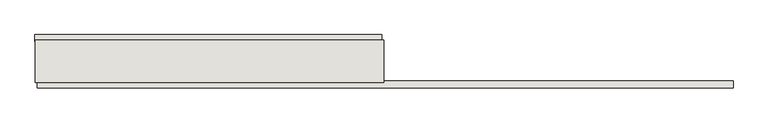
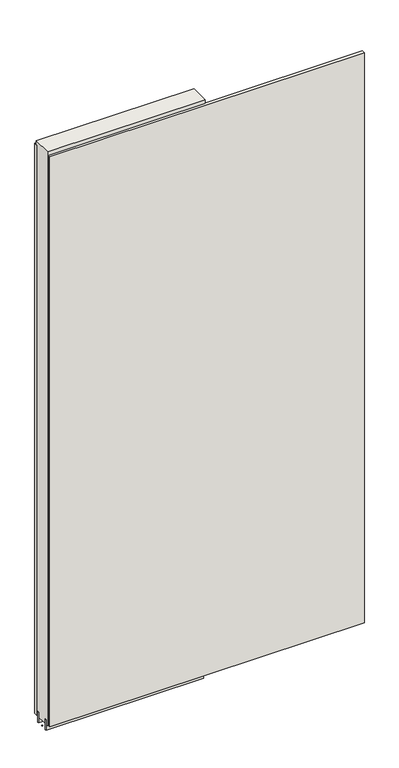
"""IFC4 building model written with IfcOpenShell, lengths in millimetres: wall geometry."""

from ifc_helpers import new_model, si_unit, frame, origin, place, context, project, spatial, polyline, outline, extrude, source, transform, mapped, element, save


def wall_2a30cffb(model_context):
    return source(origin(), model_context, "Body", "SweptSolid", [
        extrude(outline(polyline([(71896.7699476, -39417.0036398), (71894.2299476, -39417.0036398), (71894.2299476, -39414.4636398), (71896.7699476, -39414.4636398), (71896.7699476, -39417.0036398)])), frame((0.0, 0.0, 4419.6), z_axis=(0.0, 0.0, 1.0), x_axis=(1.0, 0.0, 0.0)), (0.0, 0.0, 1.0), 2.54),
        extrude(outline(polyline([(71893.7658134, -39364.9336398), (72556.1086086, -39364.9336398), (72556.1086086, -39377.6336398), (71893.7658134, -39377.6336398), (71893.7658134, -39364.9336398)])), frame((0.0, 0.0, 4445.0), z_axis=(0.0, 0.0, 1.0), x_axis=(1.0, 0.0, 0.0)), (0.0, 0.0, 1.0), 2545.0498756),
        extrude(outline(polyline([(73227.3802785, -39466.5336398), (71898.6947215, -39466.5336398), (71898.6947215, -39453.8336398), (73227.3802785, -39453.8336398), (73227.3802785, -39466.5336398)])), frame((0.0, 0.0, 4445.0), z_axis=(0.0, 0.0, 1.0), x_axis=(1.0, 0.0, 0.0)), (0.0, 0.0, 1.0), 2545.0498756),
        extrude(outline(polyline([(72560.5632352, -39390.6498952), (71894.2163078, -39390.6498952), (71894.2163078, -39385.5711398), (72560.5632352, -39385.5711398), (72560.5632352, -39390.6498952)])), frame((0.0, 0.0, 4418.6602), z_axis=(0.0, 0.0, 1.0), x_axis=(1.0, 0.0, 0.0)), (0.0, 0.0, 1.0), 47.625),
        extrude(outline(polyline([(72560.5632352, -39390.6498952), (71894.2163078, -39390.6498952), (71894.2163078, -39385.5711398), (72560.5632352, -39385.5711398), (72560.5632352, -39390.6498952)])), frame((0.0, 0.0, 4418.6602), z_axis=(0.0, 0.0, 1.0), x_axis=(1.0, 0.0, 0.0)), (0.0, 0.0, 1.0), 47.625),
        extrude(outline(polyline([(71894.2163078, -39440.8142856), (72560.5632352, -39440.8142856), (72560.5632352, -39445.8961398), (71894.2163078, -39445.8961398), (71894.2163078, -39440.8142856)])), frame((0.0, 0.0, 4418.6602), z_axis=(0.0, 0.0, 1.0), x_axis=(1.0, 0.0, 0.0)), (0.0, 0.0, 1.0), 47.625),
        extrude(outline(polyline([(71894.2163078, -39440.8142856), (72560.5632352, -39440.8142856), (72560.5632352, -39445.8961398), (71894.2163078, -39445.8961398), (71894.2163078, -39440.8142856)])), frame((0.0, 0.0, 4418.6602), z_axis=(0.0, 0.0, 1.0), x_axis=(1.0, 0.0, 0.0)), (0.0, 0.0, 1.0), 47.625),
        extrude(outline(polyline([(72560.5632352, -39375.10667), (72560.5632352, -39456.3854254), (71894.2163078, -39456.3854254), (71894.2163078, -39375.10667), (72560.5632352, -39375.10667)])), frame((0.0, 0.0, 4445.0), z_axis=(0.0, 0.0, 1.0), x_axis=(1.0, 0.0, 0.0)), (0.0, 0.0, 1.0), 2562.4536762),
    ])


if __name__ == "__main__":
    model = new_model("IFC4")
    model_context = context("Model", 3, world=origin())
    ifc_project = project(units=[si_unit("LENGTHUNIT", "METRE", prefix="MILLI")], contexts=[model_context])
    site = spatial("IfcSite", under=ifc_project)
    building = spatial("IfcBuilding", under=site)
    placement = place(None, origin())
    wall_shape = wall_2a30cffb(model_context)
    element("IfcWall", 1, at=placement, inside=building, context=model_context, shape_type="MappedRepresentation", body=[
        mapped(wall_shape, transform((0.0, 0.0, 0.0), x_axis=(1.0, 0.0, 0.0), y_axis=(0.0, 1.0, 0.0), z_axis=(0.0, 0.0, 1.0))),
    ])
    save(model, "model.ifc")
